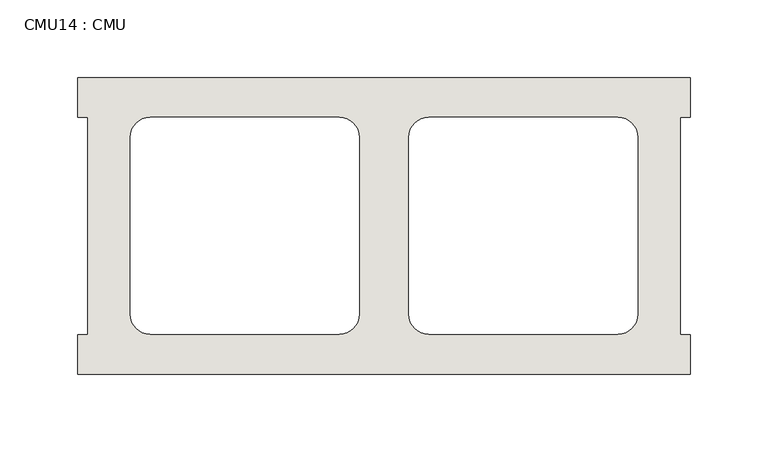
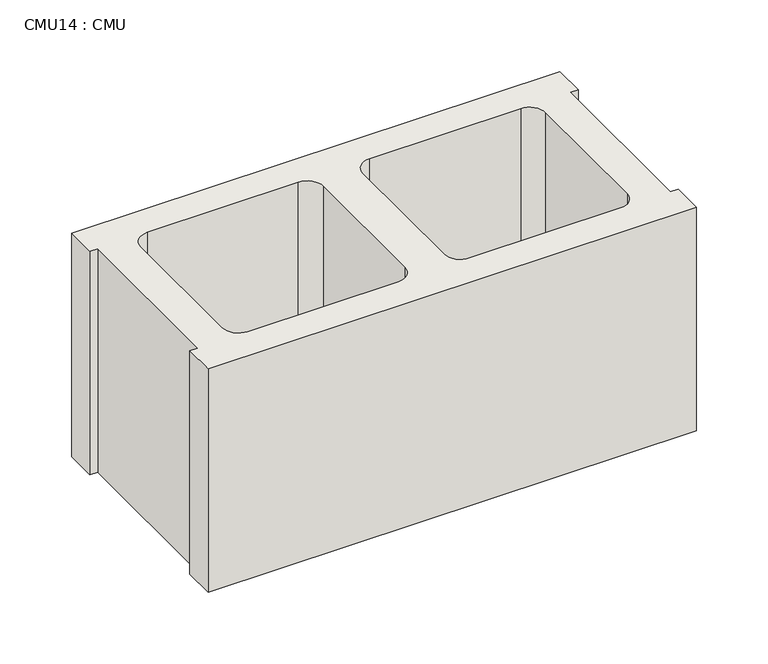
"""IFC4 building model written with IfcOpenShell, lengths in millimetres: wall geometry, CMU14 : CMU."""

from ifc_helpers import new_model, si_unit, point, frame, frame_2d, origin, place, context, project, spatial, polyline, circle_curve, trimmed, segment, composite_curve, outline, extrude, source, transform, mapped, element, save


def cmu14_cmu_1c2498de(model_context):
    return source(origin(), model_context, "Body", "SweptSolid", [
        extrude(outline(polyline([(-1616.5785982, 3347.4652891), (-1222.8785982, 3347.4652891), (-1222.8785982, 3322.0652891), (-1229.2285982, 3322.0652891), (-1229.2285982, 3182.3652891), (-1222.8785982, 3182.3652891), (-1222.8785982, 3156.9652891), (-1616.5785982, 3156.9652891), (-1616.5785982, 3182.3652891), (-1610.2285982, 3182.3652891), (-1610.2285982, 3322.0652891), (-1616.5785982, 3322.0652891), (-1616.5785982, 3347.4652891)]), holes=[composite_curve([segment(polyline([(-1448.4105995, 3322.0652891), (-1570.1272496, 3322.0652891)]), True, "CONTINUOUS"), segment(trimmed(circle_curve(frame_2d((-1570.1272496, 3309.3652891)), 12.7), [point((-1570.1272496, 3322.0652891))], [point((-1582.8272496, 3309.3652891))], True, "CARTESIAN"), True, "CONTINUOUS"), segment(polyline([(-1582.8272496, 3309.3652891), (-1582.8272496, 3195.2994494)]), True, "CONTINUOUS"), segment(trimmed(circle_curve(frame_2d((-1570.1272496, 3195.2994494)), 12.7), [point((-1582.8272496, 3195.2994494))], [point((-1570.1272496, 3182.5994494))], True, "CARTESIAN"), True, "CONTINUOUS"), segment(polyline([(-1570.1272496, 3182.5994494), (-1448.4105995, 3182.5994494)]), True, "CONTINUOUS"), segment(trimmed(circle_curve(frame_2d((-1448.4105995, 3195.2994494)), 12.7), [point((-1448.4105995, 3182.5994494))], [point((-1435.7105995, 3195.2994494))], True, "CARTESIAN"), True, "CONTINUOUS"), segment(polyline([(-1435.7105995, 3195.2994494), (-1435.7105995, 3309.3652891)]), True, "CONTINUOUS"), segment(trimmed(circle_curve(frame_2d((-1448.4105995, 3309.3652891)), 12.7), [point((-1435.7105995, 3309.3652891))], [point((-1448.4105995, 3322.0652891))], True, "CARTESIAN"), True, "CONTINUOUS")], self_intersect=False), composite_curve([segment(trimmed(circle_curve(frame_2d((-1391.0465969, 3309.3652891)), 12.7), [point((-1391.0465969, 3322.0652891))], [point((-1403.7465969, 3309.3652891))], True, "CARTESIAN"), True, "CONTINUOUS"), segment(polyline([(-1403.7465969, 3309.3652891), (-1403.7465969, 3195.2994494)]), True, "CONTINUOUS"), segment(trimmed(circle_curve(frame_2d((-1391.0465969, 3195.2994494)), 12.7), [point((-1403.7465969, 3195.2994494))], [point((-1391.0465969, 3182.5994494))], True, "CARTESIAN"), True, "CONTINUOUS"), segment(polyline([(-1391.0465969, 3182.5994494), (-1269.3299468, 3182.5994494)]), True, "CONTINUOUS"), segment(trimmed(circle_curve(frame_2d((-1269.3299468, 3195.2994494)), 12.7), [point((-1269.3299468, 3182.5994494))], [point((-1256.6299468, 3195.2994494))], True, "CARTESIAN"), True, "CONTINUOUS"), segment(polyline([(-1256.6299468, 3195.2994494), (-1256.6299468, 3309.3652891)]), True, "CONTINUOUS"), segment(trimmed(circle_curve(frame_2d((-1269.3299468, 3309.3652891)), 12.7), [point((-1256.6299468, 3309.3652891))], [point((-1269.3299468, 3322.0652891))], True, "CARTESIAN"), True, "CONTINUOUS"), segment(polyline([(-1269.3299468, 3322.0652891), (-1391.0465969, 3322.0652891)]), True, "CONTINUOUS")], self_intersect=False)]), frame((0.0, 0.0, 406.4), z_axis=(0.0, 0.0, 1.0), x_axis=(1.0, 0.0, 0.0)), (0.0, 0.0, 1.0), 190.5),
    ])


if __name__ == "__main__":
    model = new_model("IFC4")
    model_context = context("Model", 3, world=origin())
    ifc_project = project(units=[si_unit("LENGTHUNIT", "METRE", prefix="MILLI")], contexts=[model_context])
    site = spatial("IfcSite", under=ifc_project)
    building = spatial("IfcBuilding", under=site)
    placement = place(None, origin())
    cmu14_cmu_shape = cmu14_cmu_1c2498de(model_context)
    element("IfcWall", 1, ObjectType="CMU14 : CMU", at=placement, inside=building, context=model_context, shape_type="MappedRepresentation", body=[
        mapped(cmu14_cmu_shape, transform((0.0, 0.0, 0.0), x_axis=(1.0, 0.0, 0.0), y_axis=(0.0, 1.0, 0.0), z_axis=(0.0, 0.0, 1.0))),
    ])
    save(model, "model.ifc")
